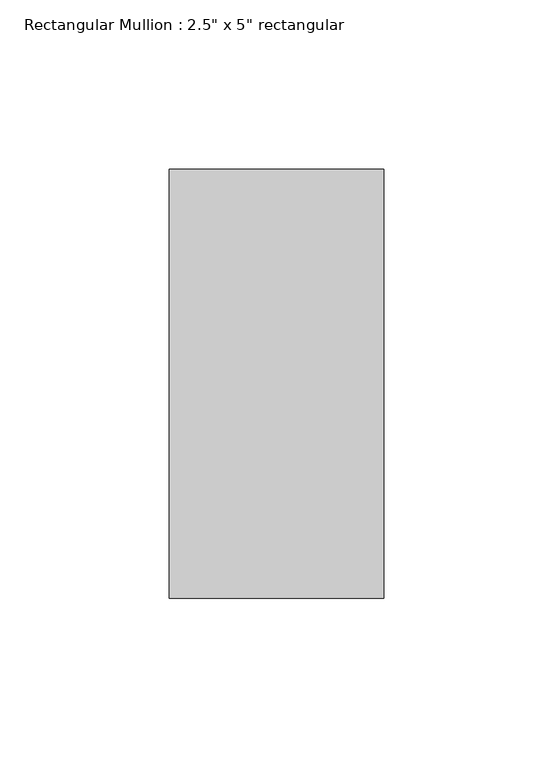
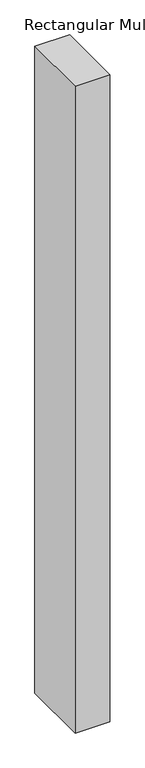
"""IFC4 building model written with IfcOpenShell, lengths in millimetres: member geometry."""

from ifc_helpers import new_model, si_unit, frame, origin, place, context, project, spatial, polyline, outline, extrude, source, transform, mapped, element, save


def member_fc132c85(model_context):
    return source(origin(), model_context, "Body", "SweptSolid", [
        extrude(outline(polyline([(31.75, 63.5), (31.75, -63.5), (-31.75, -63.5), (-31.75, 63.5), (31.75, 63.5)])), frame((0.0, 0.0, -1247.8045452), z_axis=(0.0, 0.0, 1.0), x_axis=(1.0, 0.0, 0.0)), (0.0, 0.0, 1.0), 1247.8045452),
    ])


if __name__ == "__main__":
    model = new_model("IFC4")
    model_context = context("Model", 3, world=origin())
    ifc_project = project(units=[si_unit("LENGTHUNIT", "METRE", prefix="MILLI")], contexts=[model_context])
    site = spatial("IfcSite", under=ifc_project)
    building = spatial("IfcBuilding", under=site)
    placement = place(None, origin())
    member_shape = member_fc132c85(model_context)
    element("IfcMember", 1, ObjectType="Rectangular Mullion : 2.5\" x 5\" rectangular", at=placement, inside=building, context=model_context, shape_type="MappedRepresentation", body=[
        mapped(member_shape, transform((0.0, 0.0, 0.0), x_axis=(1.0, 0.0, 0.0), y_axis=(0.0, 1.0, 0.0), z_axis=(0.0, 0.0, 1.0))),
    ])
    save(model, "model.ifc")
